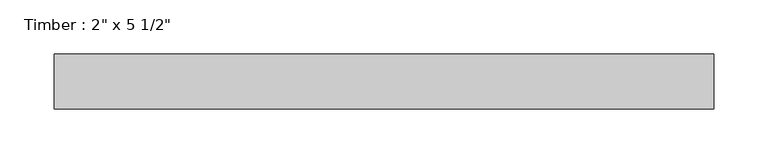
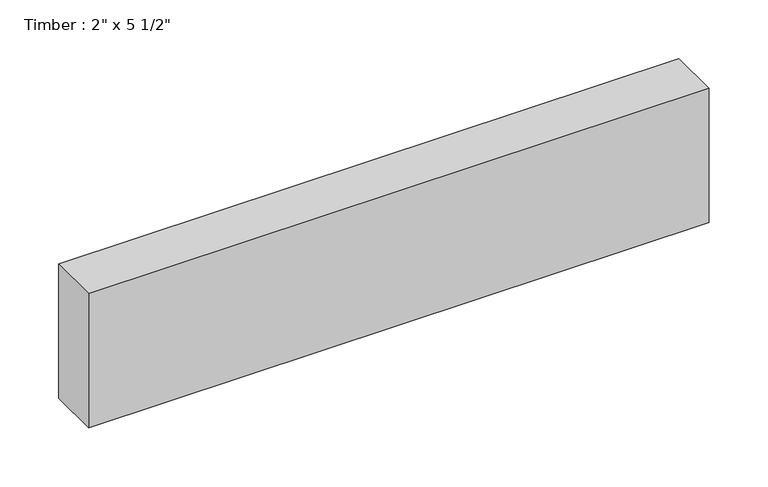
"""IFC4 building model written with IfcOpenShell, lengths in millimetres: beam geometry."""

from ifc_helpers import new_model, si_unit, frame, origin, place, context, project, spatial, polyline, outline, extrude, source, transform, mapped, element, save


def beam_94da39ad(model_context):
    return source(origin(), model_context, "Body", "SweptSolid", [
        extrude(outline(polyline([(304.8, 25.4), (304.8, -25.4), (-304.8, -25.4), (-304.8, 25.4), (304.8, 25.4)])), frame((0.0, 0.0, -69.85), z_axis=(0.0, 0.0, 1.0), x_axis=(1.0, 0.0, 0.0)), (0.0, 0.0, 1.0), 139.7),
    ])


if __name__ == "__main__":
    model = new_model("IFC4")
    model_context = context("Model", 3, world=origin())
    ifc_project = project(units=[si_unit("LENGTHUNIT", "METRE", prefix="MILLI")], contexts=[model_context])
    site = spatial("IfcSite", under=ifc_project)
    building = spatial("IfcBuilding", under=site)
    placement = place(None, origin())
    beam_shape = beam_94da39ad(model_context)
    element("IfcBeam", 1, ObjectType="Timber : 2\" x 5 1/2\"", at=placement, inside=building, context=model_context, shape_type="MappedRepresentation", body=[
        mapped(beam_shape, transform((0.0, 0.0, 0.0), x_axis=(1.0, 0.0, 0.0), y_axis=(0.0, 1.0, 0.0), z_axis=(0.0, 0.0, 1.0))),
    ])
    save(model, "model.ifc")
